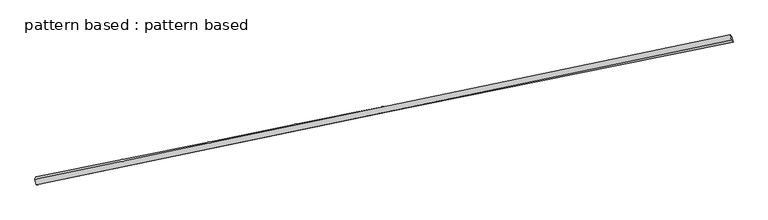
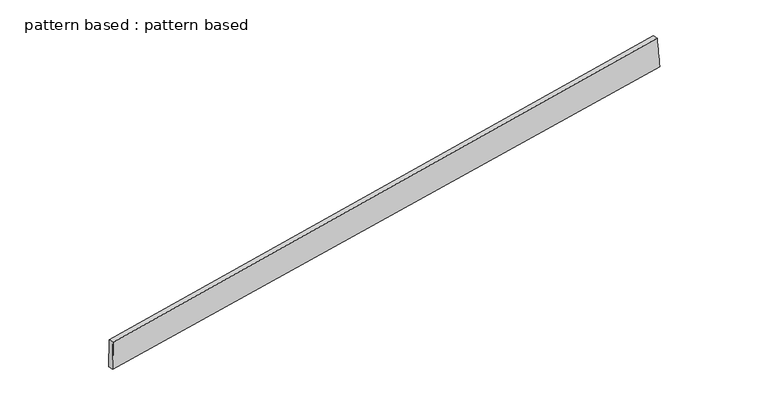
"""IFC4 building model written with IfcOpenShell, lengths in millimetres: plate geometry, pattern based : pattern based."""

from ifc_helpers import new_model, si_unit, frame, origin, place, context, project, spatial, source, transform, mapped, element, save
from ifc_brep_helpers import plane_surface, spline_surface, advanced_brep


def pattern_based_pattern_based_4729cf45(model_context):
    return source(origin(), model_context, "Body", "AdvancedBrep", [
        advanced_brep(
        [(3336.4478645, 3336.4478645, -68.0101005), (3332.1113012, 3325.6099456, 81.5349888), (3327.0913911, 3350.1007616, 81.5558541), (3331.4279544, 3360.9386805, -67.9892352), (6423.1494761, 3968.8900395, 216.5521142), (6418.129566, 3993.3808555, 216.5729795), (6431.2926594, 3960.8649377, 66.9884612), (6426.2727493, 3985.3557537, 67.0093265)],
        [
            (0, 1),
            (1, 2),
            (2, 3),
            (3, 0),
            (1, 4),
            (4, 5),
            (5, 2),
            (4, 6),
            (6, 7),
            (7, 5),
            (6, 0),
            (3, 7),
        ],
        [
            plane_surface(frame((3334.2795828, 3331.028905, 6.7624442), z_axis=(-0.9787375332110595, -0.2005763688313223, -0.04291807719798004), x_axis=(-0.028910422017779564, -0.07225279263005212, 0.9969672619780012))),
            plane_surface(frame((4877.6303886, 3647.2499925, 149.0435515), z_axis=(-0.0416850002073046, -0.009395405559245649, 0.9990866264304084), x_axis=(0.9781298215142793, 0.20355990700850046, 0.042724893483011735))),
            plane_surface(frame((6427.2210677, 3964.8774886, 141.7702877), z_axis=(0.9787538492499644, 0.20058004631245382, 0.042527021993925586), x_axis=(0.05428788902491755, -0.05350067867532032, -0.9970910201613985))),
            plane_surface(frame((4883.8702619, 3648.6564011, -0.5108196), z_axis=(0.04168500020730452, 0.009395405559246187, -0.9990866264304085), x_axis=(-0.979352547958367, -0.19759454582054994, -0.04271981120540082))),
            spline_surface(1, 1, [[(3327.0913911, 3350.1007616, 81.5558541), (3331.4279544, 3360.9386805, -67.9892352)], [(6418.129566, 3993.3808555, 216.5729795), (6426.2727493, 3985.3557537, 67.0093265)]], [2, 2], [2, 2], [0.0, 1.0], [0.0, 1.0]),
            spline_surface(1, 1, [[(6431.2926594, 3960.8649377, 66.9884612), (3336.4478645, 3336.4478645, -68.0101005)], [(6423.1494761, 3968.8900395, 216.5521142), (3332.1113012, 3325.6099456, 81.5349888)]], [2, 2], [2, 2], [0.0, 1.0], [0.0, 1.0]),
        ],
        [
            (0, [[1, 2, 3, 4]]),
            (1, [[5, 6, 7, -2]]),
            (2, [[8, 9, 10, -6]]),
            (3, [[11, -4, 12, -9]]),
            (4, [[-3, -7, -10, -12]]),
            (5, [[-11, -8, -5, -1]]),
        ],
    ),
    ])


if __name__ == "__main__":
    model = new_model("IFC4")
    model_context = context("Model", 3, world=origin())
    ifc_project = project(units=[si_unit("LENGTHUNIT", "METRE", prefix="MILLI")], contexts=[model_context])
    site = spatial("IfcSite", under=ifc_project)
    building = spatial("IfcBuilding", under=site)
    placement = place(None, origin())
    pattern_based_pattern_based_shape = pattern_based_pattern_based_4729cf45(model_context)
    element("IfcPlate", 1, ObjectType="pattern based : pattern based", at=placement, inside=building, context=model_context, shape_type="MappedRepresentation", body=[
        mapped(pattern_based_pattern_based_shape, transform((0.0, 0.0, 0.0), x_axis=(1.0, 0.0, 0.0), y_axis=(0.0, 1.0, 0.0), z_axis=(0.0, 0.0, 1.0))),
    ])
    save(model, "model.ifc")
